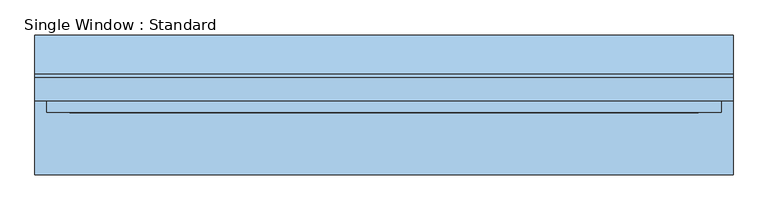
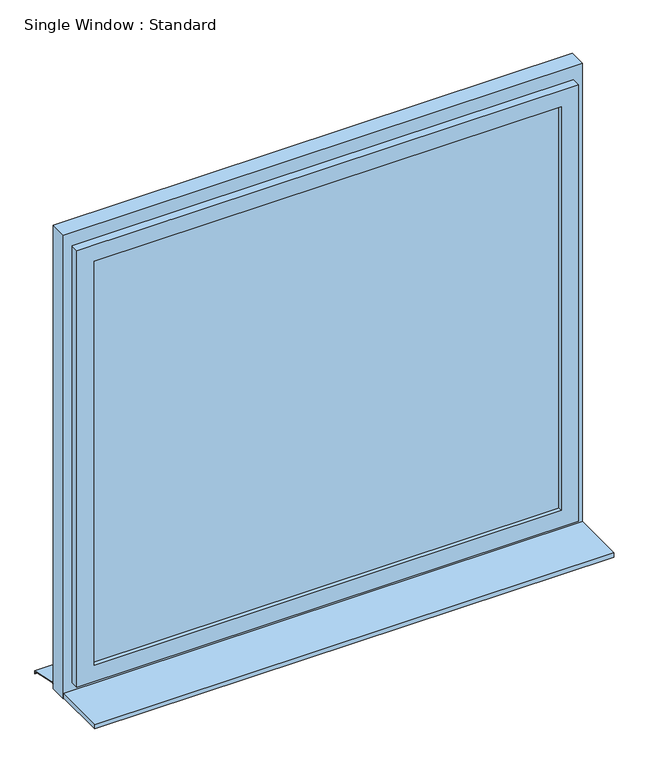
"""IFC4 building model written with IfcOpenShell, lengths in millimetres: window geometry, Single Window : Standard."""

from ifc_helpers import new_model, si_unit, frame, origin, place, context, project, spatial, polyline, outline, extrude, faceted_brep, source, transform, mapped, element, save


def single_window_standard_7ddf7016(model_context):
    return source(origin(), model_context, "Body", "SolidModel", [
        extrude(outline(polyline([(810.0, -5.0), (-810.0, -5.0), (-810.0, 25.0), (810.0, 25.0), (810.0, -5.0)])), frame((0.0, 0.0, 1110.0), z_axis=(0.0, 0.0, 1.0), x_axis=(1.0, 0.0, 0.0)), (0.0, 0.0, 1.0), 1480.0),
        faceted_brep([(870.0, 10.0, 2650.0), (870.0, -20.0, 2650.0), (870.0, -20.0, 1050.0), (870.0, 10.0, 1050.0), (840.0, 40.0, 2620.0), (840.0, 10.0, 2620.0), (840.0, 10.0, 1080.0), (840.0, 40.0, 1080.0), (810.0, -20.0, 2590.0), (810.0, 40.0, 2590.0), (810.0, 40.0, 1110.0), (810.0, -20.0, 1110.0), (-870.0, -20.0, 1050.0), (-870.0, 10.0, 1050.0), (-840.0, 10.0, 1080.0), (-840.0, 40.0, 1080.0), (-810.0, 40.0, 1110.0), (-810.0, -20.0, 1110.0), (-870.0, -20.0, 2650.0), (-870.0, 10.0, 2650.0), (-840.0, 10.0, 2620.0), (-840.0, 40.0, 2620.0), (-810.0, 40.0, 2590.0), (-810.0, -20.0, 2590.0)], [[[0, 1, 2, 3]], [[4, 5, 6, 7]], [[8, 9, 10, 11]], [[3, 2, 12, 13]], [[7, 6, 14, 15]], [[11, 10, 16, 17]], [[13, 12, 18, 19]], [[15, 14, 20, 21]], [[17, 16, 22, 23]], [[19, 18, 1, 0]], [[3, 13, 19, 0], [5, 20, 14, 6]], [[21, 20, 5, 4]], [[7, 15, 21, 4], [9, 22, 16, 10]], [[23, 22, 9, 8]], [[1, 18, 12, 2], [11, 17, 23, 8]]]),
        extrude(outline(polyline([(2700.0, 900.0), (2700.0, -900.0), (1000.0, -900.0), (1000.0, 900.0), (2700.0, 900.0)]), holes=[polyline([(2620.0, 840.0), (1080.0, 840.0), (1080.0, -840.0), (2620.0, -840.0), (2620.0, 840.0)])]), frame((0.0, 10.0, 0.0), z_axis=(0.0, 1.0, 0.0), x_axis=(0.0, 0.0, 1.0)), (0.0, 0.0, 1.0), 60.0),
        extrude(outline(polyline([(80.0221543, 1020.0), (180.0, 1000.0), (180.0, 990.0), (178.0, 990.0), (178.0, 998.3604634), (79.8240723, 1018.0), (70.0, 1018.0), (70.0, 1020.0), (80.0221543, 1020.0)])), frame((-900.0, 0.0, 0.0), z_axis=(1.0, 0.0, 0.0), x_axis=(0.0, 1.0, 0.0)), (0.0, 0.0, 1.0), 1800.0),
        extrude(outline(polyline([(-900.0, -180.0), (-900.0, 10.0), (900.0, 10.0), (900.0, -180.0), (-900.0, -180.0)])), frame((0.0, 0.0, 1005.0), z_axis=(0.0, 0.0, 1.0), x_axis=(1.0, 0.0, 0.0)), (0.0, 0.0, 1.0), 15.0),
    ])


if __name__ == "__main__":
    model = new_model("IFC4")
    model_context = context("Model", 3, world=origin())
    ifc_project = project(units=[si_unit("LENGTHUNIT", "METRE", prefix="MILLI")], contexts=[model_context])
    site = spatial("IfcSite", under=ifc_project)
    building = spatial("IfcBuilding", under=site)
    placement = place(None, origin())
    single_window_standard_shape = single_window_standard_7ddf7016(model_context)
    element("IfcWindow", 1, ObjectType="Single Window : Standard", at=placement, inside=building, context=model_context, shape_type="MappedRepresentation", body=[
        mapped(single_window_standard_shape, transform((0.0, 0.0, 0.0), x_axis=(1.0, 0.0, 0.0), y_axis=(0.0, 1.0, 0.0), z_axis=(0.0, 0.0, 1.0))),
    ])
    save(model, "model.ifc")
